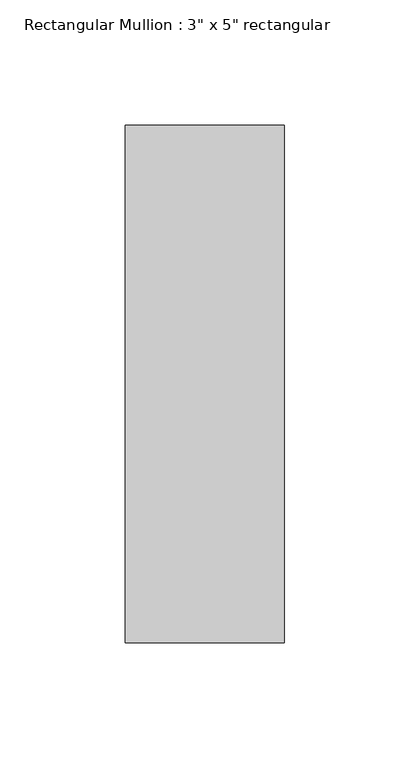
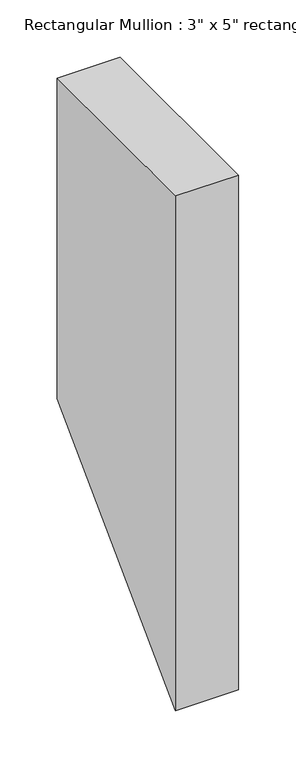
"""IFC4 building model written with IfcOpenShell, lengths in millimetres: member geometry."""

from ifc_helpers import new_model, si_unit, frame, origin, place, context, project, spatial, polyline, outline, extrude, source, transform, mapped, element, save


def member_860ac107(model_context):
    return source(origin(), model_context, "Body", "SweptSolid", [
        extrude(outline(polyline([(-115.951, 0.0), (90.551, 0.0), (90.551, -341.249), (-115.951, -547.751), (-115.951, 0.0)])), frame((-63.5, 0.0, 0.0), z_axis=(1.0, 0.0, 0.0), x_axis=(0.0, 1.0, 0.0)), (0.0, 0.0, 1.0), 63.5),
    ])


if __name__ == "__main__":
    model = new_model("IFC4")
    model_context = context("Model", 3, world=origin())
    ifc_project = project(units=[si_unit("LENGTHUNIT", "METRE", prefix="MILLI")], contexts=[model_context])
    site = spatial("IfcSite", under=ifc_project)
    building = spatial("IfcBuilding", under=site)
    placement = place(None, origin())
    member_shape = member_860ac107(model_context)
    element("IfcMember", 1, ObjectType="Rectangular Mullion : 3\" x 5\" rectangular", at=placement, inside=building, context=model_context, shape_type="MappedRepresentation", body=[
        mapped(member_shape, transform((0.0, 0.0, 0.0), x_axis=(1.0, 0.0, 0.0), y_axis=(0.0, 1.0, 0.0), z_axis=(0.0, 0.0, 1.0))),
    ])
    save(model, "model.ifc")
